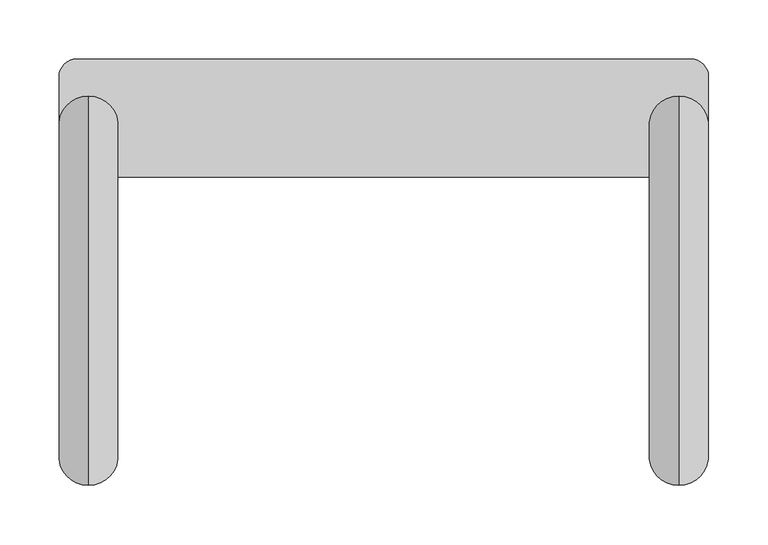
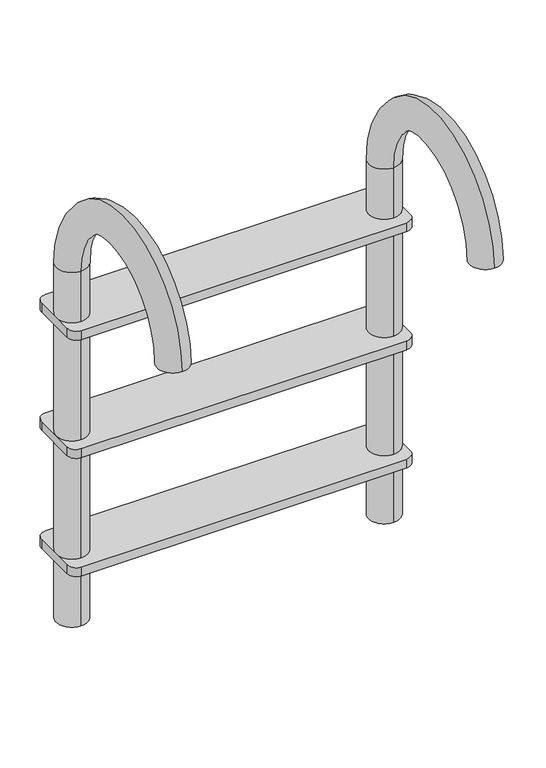
"""IFC4 building model written with IfcOpenShell, lengths in millimetres: proxy geometry."""

from ifc_helpers import new_model, si_unit, point, frame, frame_2d, origin, place, context, project, spatial, polyline, circle_curve, ellipse_curve, trimmed, segment, composite_curve, outline, extrude, source, transform, mapped, element, save
from ifc_brep_helpers import plane_surface, cylinder_surface, revolved_surface, advanced_brep


def entourage_e25d3b09(model_context):
    return source(origin(), model_context, "Body", "SolidModel", [
        extrude(outline(composite_curve([segment(trimmed(circle_curve(frame_2d((-4215.5005607, 1128.5806732)), 15.0), [point((-4215.5005607, 1113.5806732))], [point((-4230.5005607, 1128.5806732))], False, "CARTESIAN"), True, "CONTINUOUS"), segment(polyline([(-4230.5005607, 1128.5806732), (-4230.5005607, 1198.5806732)]), True, "CONTINUOUS"), segment(trimmed(circle_curve(frame_2d((-4215.5005607, 1198.5806732)), 15.0), [point((-4230.5005607, 1198.5806732))], [point((-4215.5005607, 1213.5806732))], False, "CARTESIAN"), True, "CONTINUOUS"), segment(polyline([(-4215.5005607, 1213.5806732), (-3695.5005607, 1213.5806732)]), True, "CONTINUOUS"), segment(trimmed(circle_curve(frame_2d((-3695.5005607, 1198.5806732)), 15.0), [point((-3695.5005607, 1213.5806732))], [point((-3680.5005607, 1198.5806732))], False, "CARTESIAN"), True, "CONTINUOUS"), segment(polyline([(-3680.5005607, 1198.5806732), (-3680.5005607, 1128.5806732)]), True, "CONTINUOUS"), segment(trimmed(circle_curve(frame_2d((-3695.5005607, 1128.5806732)), 15.0), [point((-3680.5005607, 1128.5806732))], [point((-3695.5005607, 1113.5806732))], False, "CARTESIAN"), True, "CONTINUOUS"), segment(polyline([(-3695.5005607, 1113.5806732), (-4215.5005607, 1113.5806732)]), True, "CONTINUOUS")], self_intersect=False)), frame((0.0, 0.0, 6600.0), z_axis=(0.0, 0.0, 1.0), x_axis=(1.0, 0.0, 0.0)), (0.0, 0.0, 1.0), 15.0),
        extrude(outline(composite_curve([segment(trimmed(circle_curve(frame_2d((-4215.5005607, 1128.5806732)), 15.0), [point((-4215.5005607, 1113.5806732))], [point((-4230.5005607, 1128.5806732))], False, "CARTESIAN"), True, "CONTINUOUS"), segment(polyline([(-4230.5005607, 1128.5806732), (-4230.5005607, 1198.5806732)]), True, "CONTINUOUS"), segment(trimmed(circle_curve(frame_2d((-4215.5005607, 1198.5806732)), 15.0), [point((-4230.5005607, 1198.5806732))], [point((-4215.5005607, 1213.5806732))], False, "CARTESIAN"), True, "CONTINUOUS"), segment(polyline([(-4215.5005607, 1213.5806732), (-3695.5005607, 1213.5806732)]), True, "CONTINUOUS"), segment(trimmed(circle_curve(frame_2d((-3695.5005607, 1198.5806732)), 15.0), [point((-3695.5005607, 1213.5806732))], [point((-3680.5005607, 1198.5806732))], False, "CARTESIAN"), True, "CONTINUOUS"), segment(polyline([(-3680.5005607, 1198.5806732), (-3680.5005607, 1128.5806732)]), True, "CONTINUOUS"), segment(trimmed(circle_curve(frame_2d((-3695.5005607, 1128.5806732)), 15.0), [point((-3680.5005607, 1128.5806732))], [point((-3695.5005607, 1113.5806732))], False, "CARTESIAN"), True, "CONTINUOUS"), segment(polyline([(-3695.5005607, 1113.5806732), (-4215.5005607, 1113.5806732)]), True, "CONTINUOUS")], self_intersect=False)), frame((0.0, 0.0, 6400.0), z_axis=(0.0, 0.0, 1.0), x_axis=(1.0, 0.0, 0.0)), (0.0, 0.0, 1.0), 15.0),
        extrude(outline(composite_curve([segment(trimmed(circle_curve(frame_2d((-4215.5005607, 1128.5806732)), 15.0), [point((-4215.5005607, 1113.5806732))], [point((-4230.5005607, 1128.5806732))], False, "CARTESIAN"), True, "CONTINUOUS"), segment(polyline([(-4230.5005607, 1128.5806732), (-4230.5005607, 1198.5806732)]), True, "CONTINUOUS"), segment(trimmed(circle_curve(frame_2d((-4215.5005607, 1198.5806732)), 15.0), [point((-4230.5005607, 1198.5806732))], [point((-4215.5005607, 1213.5806732))], False, "CARTESIAN"), True, "CONTINUOUS"), segment(polyline([(-4215.5005607, 1213.5806732), (-3695.5005607, 1213.5806732)]), True, "CONTINUOUS"), segment(trimmed(circle_curve(frame_2d((-3695.5005607, 1198.5806732)), 15.0), [point((-3695.5005607, 1213.5806732))], [point((-3680.5005607, 1198.5806732))], False, "CARTESIAN"), True, "CONTINUOUS"), segment(polyline([(-3680.5005607, 1198.5806732), (-3680.5005607, 1128.5806732)]), True, "CONTINUOUS"), segment(trimmed(circle_curve(frame_2d((-3695.5005607, 1128.5806732)), 15.0), [point((-3680.5005607, 1128.5806732))], [point((-3695.5005607, 1113.5806732))], False, "CARTESIAN"), True, "CONTINUOUS"), segment(polyline([(-3695.5005607, 1113.5806732), (-4215.5005607, 1113.5806732)]), True, "CONTINUOUS")], self_intersect=False)), frame((0.0, 0.0, 6200.0), z_axis=(0.0, 0.0, 1.0), x_axis=(1.0, 0.0, 0.0)), (0.0, 0.0, 1.0), 15.0),
        advanced_brep(
        [(-4205.6575162, 1132.3023113, 6100.2380237), (-4205.6573747, 1182.3023113, 6100.2381652), (-4205.6575162, 1132.3006133, 6700.2380237), (-4205.6573747, 1182.3006133, 6700.2381652), (-4205.6581671, 902.3006133, 6700.2373728), (-4205.6583086, 852.3006133, 6700.2372313)],
        [
            (0, 1, circle_curve(frame((-4205.6574454, 1157.3023113, 6100.2380945), z_axis=(8.008291383144782e-12, 2.8300030297753328e-06, -0.9999999999959955), x_axis=(2.8300030207999667e-06, 0.9999999999919911, 2.8300030297866635e-06)), 25.0)),
            (1, 0, circle_curve(frame((-4205.6574454, 1157.3023113, 6100.2380945), z_axis=(8.008291383144782e-12, 2.8300030297753328e-06, -0.9999999999959955), x_axis=(2.8300030207999667e-06, 0.9999999999919911, 2.8300030297866635e-06)), 25.0)),
            (0, 2),
            (2, 3, circle_curve(frame((-4205.6574454, 1157.3006133, 6700.2380945), z_axis=(8.008291383144782e-12, 2.8300030297753328e-06, -0.9999999999959955), x_axis=(2.8300030207999667e-06, 0.9999999999919911, 2.8300030297866635e-06)), 25.0)),
            (3, 1),
            (3, 2, circle_curve(frame((-4205.6574454, 1157.3006133, 6700.2380945), z_axis=(8.008291383144782e-12, 2.8300030297753328e-06, -0.9999999999959955), x_axis=(2.8300030207999667e-06, 0.9999999999919911, 2.8300030297866635e-06)), 25.0)),
            (4, 5, circle_curve(frame((-4205.6582378, 877.3006133, 6700.2373021), z_axis=(8.008291358893186e-12, 2.830003020554576e-06, -0.9999999999959955), x_axis=(-2.8300030207999726e-06, -0.9999999999919911, -2.830003020565907e-06)), 25.0)),
            (5, 4, circle_curve(frame((-4205.6582378, 877.3006133, 6700.2373021), z_axis=(8.008291358893186e-12, 2.830003020554576e-06, -0.9999999999959955), x_axis=(-2.8300030207999726e-06, -0.9999999999919911, -2.830003020565907e-06)), 25.0)),
            (5, 3, circle_curve(frame((-4205.6578416, 1017.3006133, 6700.2376983), z_axis=(-0.9999999999959955, 2.830003020811301e-06, 0.0), x_axis=(2.8300030207999696e-06, 0.9999999999919911, 2.8300030195781843e-06)), 165.0)),
            (2, 4, circle_curve(frame((-4205.6578416, 1017.3006133, 6700.2376983), z_axis=(0.9999999999959955, -2.830003020811301e-06, 0.0), x_axis=(2.8300030207999696e-06, 0.9999999999919911, 2.8300030195781843e-06)), 115.0)),
        ],
        [
            plane_surface(frame((-4205.6574454, 1157.3023113, 6100.2380945), z_axis=(8.00828725532726e-12, 2.8300030300021927e-06, -0.9999999999959958), x_axis=(0.9999999999959956, -2.830003020813599e-06, 0.0))),
            cylinder_surface(frame((-4205.6574454, 1157.3023113, 6100.2380945), z_axis=(8.008291383144782e-12, 2.8300030297753328e-06, -0.9999999999959955), x_axis=(2.8300030207999667e-06, 0.9999999999919911, 2.8300030297866635e-06)), 25.0),
            plane_surface(frame((-4205.6582378, 877.3006133, 6700.2373021), z_axis=(8.008295487994758e-12, 2.830003020781436e-06, -0.9999999999959958), x_axis=(0.9999999999959956, -2.8300030208090037e-06, 0.0))),
            revolved_surface(trimmed(ellipse_curve(frame((-4205.6574454, 1157.3006133, 6700.2380945), z_axis=(8.008291354883058e-12, 2.8300030197888626e-06, -0.9999999999959955), x_axis=(2.8300030207999667e-06, 0.9999999999919911, 2.8300030198001934e-06)), 25.0, 25.0), [point((-4205.6575162, 1132.3006133, 6700.2380237))], [point((-4205.6573747, 1182.3006133, 6700.2381652))], True, "CARTESIAN"), (-4205.6578416, 1017.3006133, 6700.2376983), (0.9999999999959955, -2.830003020811301e-06, 0.0)),
            revolved_surface(trimmed(ellipse_curve(frame((-4205.6574454, 1157.3006133, 6700.2380945), z_axis=(8.008291354883058e-12, 2.8300030197888626e-06, -0.9999999999959955), x_axis=(2.8300030207999667e-06, 0.9999999999919911, 2.8300030198001934e-06)), 25.0, 25.0), [point((-4205.6573747, 1182.3006133, 6700.2381652))], [point((-4205.6575162, 1132.3006133, 6700.2380237))], True, "CARTESIAN"), (-4205.6578416, 1017.3006133, 6700.2376983), (0.9999999999959955, -2.830003020811301e-06, 0.0)),
        ],
        [
            (0, [[1, 2]]),
            (1, [[-1, 3, 4, 5]]),
            (1, [[-2, -5, 6, -3]]),
            (2, [[7, 8]]),
            (3, [[9, -4, 10, -8]]),
            (4, [[-10, -6, -9, -7]]),
        ],
    ),
        advanced_brep(
        [(-3705.6575162, 1132.3023113, 6100.2380237), (-3705.6573747, 1182.3023113, 6100.2381652), (-3705.6575162, 1132.3006133, 6700.2380237), (-3705.6573747, 1182.3006133, 6700.2381652), (-3705.6581671, 902.3006133, 6700.2373728), (-3705.6583086, 852.3006133, 6700.2372313)],
        [
            (0, 1, circle_curve(frame((-3705.6574454, 1157.3023113, 6100.2380945), z_axis=(8.008291383144782e-12, 2.8300030297753328e-06, -0.9999999999959955), x_axis=(2.8300030207999667e-06, 0.9999999999919911, 2.8300030297866635e-06)), 25.0)),
            (1, 0, circle_curve(frame((-3705.6574454, 1157.3023113, 6100.2380945), z_axis=(8.008291383144782e-12, 2.8300030297753328e-06, -0.9999999999959955), x_axis=(2.8300030207999667e-06, 0.9999999999919911, 2.8300030297866635e-06)), 25.0)),
            (0, 2),
            (2, 3, circle_curve(frame((-3705.6574454, 1157.3006133, 6700.2380945), z_axis=(8.008291383144782e-12, 2.8300030297753328e-06, -0.9999999999959955), x_axis=(2.8300030207999667e-06, 0.9999999999919911, 2.8300030297866635e-06)), 25.0)),
            (3, 1),
            (3, 2, circle_curve(frame((-3705.6574454, 1157.3006133, 6700.2380945), z_axis=(8.008291383144782e-12, 2.8300030297753328e-06, -0.9999999999959955), x_axis=(2.8300030207999667e-06, 0.9999999999919911, 2.8300030297866635e-06)), 25.0)),
            (4, 5, circle_curve(frame((-3705.6582378, 877.3006133, 6700.2373021), z_axis=(8.00829135846965e-12, 2.830003020554576e-06, -0.9999999999959955), x_axis=(-2.8300030207999717e-06, -0.9999999999919911, -2.830003020565907e-06)), 25.0)),
            (5, 4, circle_curve(frame((-3705.6582378, 877.3006133, 6700.2373021), z_axis=(8.00829135846965e-12, 2.830003020554576e-06, -0.9999999999959955), x_axis=(-2.8300030207999717e-06, -0.9999999999919911, -2.830003020565907e-06)), 25.0)),
            (5, 3, circle_curve(frame((-3705.6578416, 1017.3006133, 6700.2376983), z_axis=(-0.9999999999959955, 2.8300030208113004e-06, 0.0), x_axis=(2.830003020799969e-06, 0.9999999999919911, 2.83000302668361e-06)), 165.0)),
            (2, 4, circle_curve(frame((-3705.6578416, 1017.3006133, 6700.2376983), z_axis=(0.9999999999959955, -2.8300030208113004e-06, 0.0), x_axis=(2.830003020799969e-06, 0.9999999999919911, 2.83000302668361e-06)), 115.0)),
        ],
        [
            plane_surface(frame((-3705.6574454, 1157.3023113, 6100.2380945), z_axis=(8.008287255327265e-12, 2.8300030300021944e-06, -0.9999999999959958), x_axis=(0.9999999999959956, -2.830003020813599e-06, 0.0))),
            cylinder_surface(frame((-3705.6574454, 1157.3023113, 6100.2380945), z_axis=(8.008291383144782e-12, 2.8300030297753328e-06, -0.9999999999959955), x_axis=(2.8300030207999667e-06, 0.9999999999919911, 2.8300030297866635e-06)), 25.0),
            plane_surface(frame((-3705.6582378, 877.3006133, 6700.2373021), z_axis=(8.008295487571238e-12, 2.830003020781438e-06, -0.9999999999959958), x_axis=(0.9999999999959956, -2.830003020809003e-06, 0.0))),
            revolved_surface(trimmed(ellipse_curve(frame((-3705.6574454, 1157.3006133, 6700.2380945), z_axis=(8.008291374991452e-12, 2.83000302689429e-06, -0.9999999999959955), x_axis=(2.8300030207999667e-06, 0.9999999999919911, 2.8300030269056207e-06)), 25.0, 25.0), [point((-3705.6575162, 1132.3006133, 6700.2380237))], [point((-3705.6573747, 1182.3006133, 6700.2381652))], True, "CARTESIAN"), (-3705.6578416, 1017.3006133, 6700.2376983), (0.9999999999959955, -2.8300030208113004e-06, 0.0)),
            revolved_surface(trimmed(ellipse_curve(frame((-3705.6574454, 1157.3006133, 6700.2380945), z_axis=(8.008291374991452e-12, 2.83000302689429e-06, -0.9999999999959955), x_axis=(2.8300030207999667e-06, 0.9999999999919911, 2.8300030269056207e-06)), 25.0, 25.0), [point((-3705.6573747, 1182.3006133, 6700.2381652))], [point((-3705.6575162, 1132.3006133, 6700.2380237))], True, "CARTESIAN"), (-3705.6578416, 1017.3006133, 6700.2376983), (0.9999999999959955, -2.8300030208113004e-06, 0.0)),
        ],
        [
            (0, [[1, 2]]),
            (1, [[-1, 3, 4, 5]]),
            (1, [[-2, -5, 6, -3]]),
            (2, [[7, 8]]),
            (3, [[9, -4, 10, -8]]),
            (4, [[-10, -6, -9, -7]]),
        ],
    ),
    ])


if __name__ == "__main__":
    model = new_model("IFC4")
    model_context = context("Model", 3, world=origin())
    ifc_project = project(units=[si_unit("LENGTHUNIT", "METRE", prefix="MILLI")], contexts=[model_context])
    site = spatial("IfcSite", under=ifc_project)
    building = spatial("IfcBuilding", under=site)
    placement = place(None, origin())
    entourage_shape = entourage_e25d3b09(model_context)
    element("IfcBuildingElementProxy", 1, Name="Entourage", at=placement, inside=building, context=model_context, shape_type="MappedRepresentation", body=[
        mapped(entourage_shape, transform((0.0, 0.0, 0.0), x_axis=(1.0, 0.0, 0.0), y_axis=(0.0, 1.0, 0.0), z_axis=(0.0, 0.0, 1.0))),
    ])
    save(model, "model.ifc")
